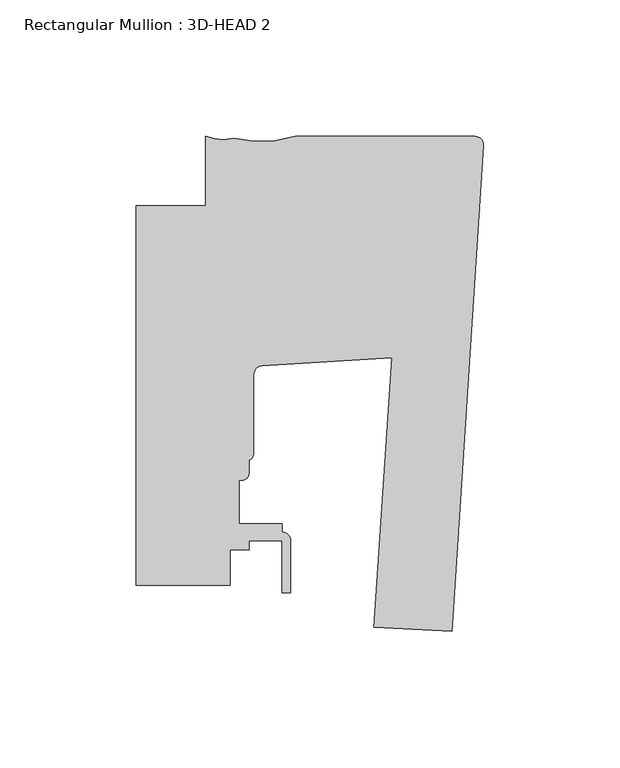
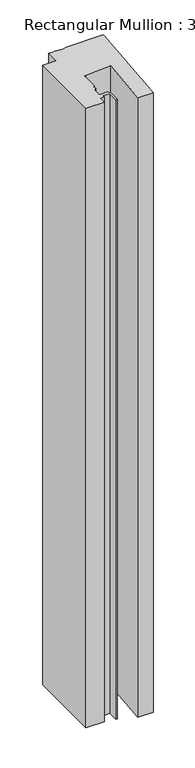
"""IFC4 building model written with IfcOpenShell, lengths in millimetres: member geometry, Rectangular Mullion : 3D-HEAD 2."""

from ifc_helpers import new_model, si_unit, point, frame, frame_2d, origin, place, context, project, spatial, polyline, circle_curve, trimmed, segment, composite_curve, outline, extrude, source, transform, mapped, element, save


def rectangular_mullion_3d_head_2_d1326be2(model_context):
    return source(origin(), model_context, "Body", "SweptSolid", [
        extrude(outline(composite_curve([segment(polyline([(-11.5383887, -99.1788373), (-40.1652502, -97.6785671), (-33.647817, 0.9953546), (-81.3507626, -1.8478232)]), True, "CONTINUOUS"), segment(trimmed(circle_curve(frame_2d((-81.1875559, -5.0186257)), 3.175), [point((-81.3507626, -1.8478232))], [point((-84.3625559, -5.0186257))], True, "CARTESIAN"), True, "CONTINUOUS"), segment(polyline([(-84.3625559, -5.0186257), (-84.3625559, -33.730113)]), True, "CONTINUOUS"), segment(trimmed(circle_curve(frame_2d((-87.5375559, -33.730113)), 3.175), [point((-84.3625559, -33.730113))], [point((-86.1405562, -36.581256))], False, "CARTESIAN"), True, "CONTINUOUS"), segment(polyline([(-86.1405562, -36.581256), (-86.1405562, -41.3122009)]), True, "CONTINUOUS"), segment(trimmed(circle_curve(frame_2d((-88.6805561, -41.3122009)), 2.5399999), [point((-86.1405562, -41.3122009))], [point((-88.6805561, -43.8522008))], False, "CARTESIAN"), True, "CONTINUOUS"), segment(polyline([(-88.6805561, -43.8522008), (-89.8235559, -43.8522008), (-89.8235559, -59.7272008), (-73.9485559, -59.7272008), (-73.9485559, -62.9022182)]), True, "CONTINUOUS"), segment(trimmed(circle_curve(frame_2d((-73.9380354, -66.0772008)), 3.175), [point((-73.9485559, -62.9022182))], [point((-70.7630354, -66.0772008))], False, "CARTESIAN"), True, "CONTINUOUS"), segment(polyline([(-70.7630354, -66.0772008), (-70.7630354, -85.1272008), (-73.9380354, -85.1272008), (-73.9380354, -66.0772008), (-86.1405562, -66.0772008), (-86.1405562, -69.2522008), (-92.9985559, -69.2522008), (-92.9985559, -82.296), (-127.4896668, -82.296), (-127.4896668, 56.8955475), (-102.08978, 56.8960646), (-102.08978, 82.296)]), True, "CONTINUOUS"), segment(trimmed(circle_curve(frame_2d((-95.8348398, 97.8290799)), 16.7451739), [point((-102.08978, 82.296))], [point((-91.8088828, 81.5750798))], True, "CARTESIAN"), True, "CONTINUOUS"), segment(trimmed(circle_curve(frame_2d((-81.6714448, 123.3111219)), 42.9495617), [point((-91.8088828, 81.5750798))], [point((-68.9268525, 82.296))], True, "CARTESIAN"), True, "CONTINUOUS"), segment(polyline([(-68.9268525, 82.296), (-3.175, 82.296)]), True, "CONTINUOUS"), segment(trimmed(circle_curve(frame_2d((-3.175, 79.121)), 3.175), [point((-3.175, 82.296))], [point((-0.006635, 78.9158462))], False, "CARTESIAN"), True, "CONTINUOUS"), segment(polyline([(-0.006635, 78.9158462), (-11.5383887, -99.1788373)]), True, "CONTINUOUS")], self_intersect=False)), frame((0.0, 0.0, -1219.2), z_axis=(0.0, 0.0, 1.0), x_axis=(1.0, 0.0, 0.0)), (0.0, 0.0, 1.0), 1219.2),
    ])


if __name__ == "__main__":
    model = new_model("IFC4")
    model_context = context("Model", 3, world=origin())
    ifc_project = project(units=[si_unit("LENGTHUNIT", "METRE", prefix="MILLI")], contexts=[model_context])
    site = spatial("IfcSite", under=ifc_project)
    building = spatial("IfcBuilding", under=site)
    placement = place(None, origin())
    rectangular_mullion_3d_head_2_shape = rectangular_mullion_3d_head_2_d1326be2(model_context)
    element("IfcMember", 1, ObjectType="Rectangular Mullion : 3D-HEAD 2", at=placement, inside=building, context=model_context, shape_type="MappedRepresentation", body=[
        mapped(rectangular_mullion_3d_head_2_shape, transform((0.0, 0.0, 0.0), x_axis=(1.0, 0.0, 0.0), y_axis=(0.0, 1.0, 0.0), z_axis=(0.0, 0.0, 1.0))),
    ])
    save(model, "model.ifc")
